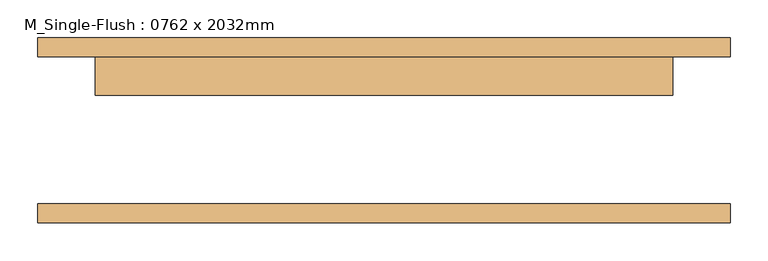
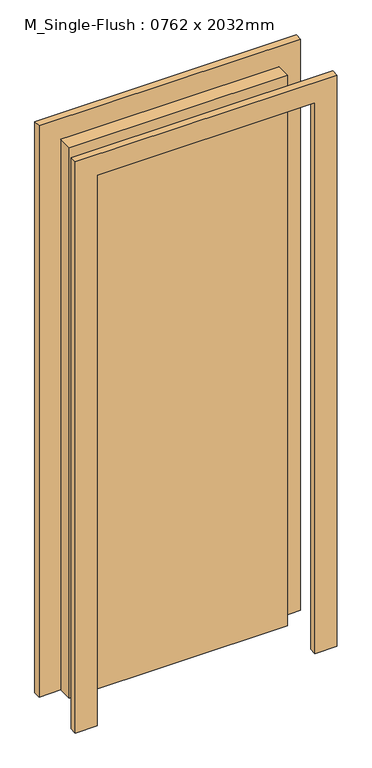
"""IFC4 building model written with IfcOpenShell, lengths in millimetres: door geometry, M_Single-Flush : 0762 x 2032mm."""

import ifcopenshell
import ifcopenshell.guid

model = None  # the IFC model being written
_history = None  # IfcOwnerHistory: only IFC2X3 demands one
_inside = {}  # id of a spatial element -> (the spatial element, [elements in it])
_under = {}  # id of a project, library or spatial element -> (it, [spatial elements below it])
_declared = {}  # id of a project -> (the project, [libraries it declares])
_typed = {}  # id of a type object -> (the type object, [elements of that type])
_made_of = {}  # id of a material, layer set ... -> (it, [elements and type objects made of it])


def new_model(schema):
    """Start an empty IFC model of exactly this schema.

    Asked for "IFC4X3", IfcOpenShell would pick the latest addendum, in which some entities
    have other attributes; the version numbers below select the first issue.
    IFC2X3 requires an IfcOwnerHistory on every rooted entity: one is made here for all.
    """
    global model, _history
    if schema == "IFC4X3":
        model = ifcopenshell.file(schema_version=(4, 3, 0, 0))
    else:
        model = ifcopenshell.file(schema=schema)
    _inside.clear()
    _under.clear()
    _declared.clear()
    _typed.clear()
    _made_of.clear()
    _history = None
    if model.schema == "IFC2X3":
        org = make("IfcOrganization", Name="unknown")
        user = make(
            "IfcPersonAndOrganization",
            ThePerson=make("IfcPerson", FamilyName="unknown"),
            TheOrganization=org,
        )
        app = make(
            "IfcApplication",
            ApplicationDeveloper=org,
            Version="unknown",
            ApplicationFullName="unknown",
            ApplicationIdentifier="unknown",
        )
        _history = make(
            "IfcOwnerHistory",
            OwningUser=user,
            OwningApplication=app,
            ChangeAction="ADDED",
            CreationDate=0,
        )
    return model


def make(cls, **values):
    """One entity of the class cls with the attributes given. An attribute that is None is left unset."""
    return model.create_entity(
        cls, **{name: value for name, value in values.items() if value is not None}
    )


def rooted(cls, **values):
    """An entity with a GlobalId (a new one), such as an element, a storey or a relation."""
    return make(cls, GlobalId=ifcopenshell.guid.new(), OwnerHistory=_history, **values)


def si_unit(unit_type, name, prefix=None):
    """IfcSIUnit, for example si_unit("LENGTHUNIT", "METRE", prefix="MILLI")."""
    return make("IfcSIUnit", UnitType=unit_type, Prefix=prefix, Name=name)


def assignment(units):
    """IfcUnitAssignment: the units of a project."""
    return None if units is None else make("IfcUnitAssignment", Units=units)


def point(xyz):
    """IfcCartesianPoint."""
    return None if xyz is None else make("IfcCartesianPoint", Coordinates=xyz)


def direction(xyz):
    """IfcDirection."""
    return None if xyz is None else make("IfcDirection", DirectionRatios=xyz)


def frame(location, z_axis=None, x_axis=None):
    """IfcAxis2Placement3D, a coordinate frame: its origin and axes. An axis left out is left unset."""
    return make(
        "IfcAxis2Placement3D",
        Location=point(location),
        Axis=direction(z_axis),
        RefDirection=direction(x_axis),
    )


def origin():
    """The frame at (0, 0, 0) with its axes left unset."""
    return frame((0.0, 0.0, 0.0))


def origin_with_axes():
    """The frame at (0, 0, 0) with the z axis (0, 0, 1) and the x axis (1, 0, 0) written out."""
    return frame((0.0, 0.0, 0.0), z_axis=(0.0, 0.0, 1.0), x_axis=(1.0, 0.0, 0.0))


def place(relative_to, where):
    """IfcLocalPlacement: puts the frame where relative to a parent placement (None: the world)."""
    return make(
        "IfcLocalPlacement", PlacementRelTo=relative_to, RelativePlacement=where
    )


def context(
    kind, dimensions, precision=None, world=None, true_north=None, identifier=None
):
    """IfcGeometricRepresentationContext, for example the 3D "Model" context."""
    return make(
        "IfcGeometricRepresentationContext",
        ContextIdentifier=identifier,
        ContextType=kind,
        CoordinateSpaceDimension=dimensions,
        Precision=precision,
        WorldCoordinateSystem=world,
        TrueNorth=true_north,
    )


def project(units=None, contexts=None):
    """IfcProject with its units and contexts."""
    return rooted(
        "IfcProject",
        Name="project",
        RepresentationContexts=contexts,
        UnitsInContext=assignment(units),
    )


def spatial(cls, under=None, at=None, **own):
    """A site, building, storey or space (cls), placed at a placement, below another one or the project."""
    s = rooted(cls, ObjectPlacement=at, **own)
    if under is not None:
        _under.setdefault(under.id(), (under, []))[1].append(s)
    return s


def polyline(points):
    """IfcPolyline through the points."""
    return make("IfcPolyline", Points=[point(p) for p in points])


def outline(outer, holes=None, kind="AREA"):
    """IfcArbitraryClosedProfileDef: a profile drawn as a closed curve; with holes, ...WithVoids."""
    if holes is None:
        return make("IfcArbitraryClosedProfileDef", ProfileType=kind, OuterCurve=outer)
    return make(
        "IfcArbitraryProfileDefWithVoids",
        ProfileType=kind,
        OuterCurve=outer,
        InnerCurves=holes,
    )


def extrude(swept, where, along, depth):
    """IfcExtrudedAreaSolid: the profile swept, set in the frame where, extruded along a direction by depth."""
    return make(
        "IfcExtrudedAreaSolid",
        SweptArea=swept,
        Position=where,
        ExtrudedDirection=direction(along),
        Depth=depth,
    )


def shape(context_of_items, identifier, shape_type, items):
    """IfcShapeRepresentation: the items that make up one representation, for example the "Body"."""
    return make(
        "IfcShapeRepresentation",
        ContextOfItems=context_of_items,
        RepresentationIdentifier=identifier,
        RepresentationType=shape_type,
        Items=items,
    )


def source(mapping_origin, context_of_items, identifier, shape_type, items):
    """IfcRepresentationMap: a shape defined once, which mapped items show again and again."""
    return make(
        "IfcRepresentationMap",
        MappingOrigin=mapping_origin,
        MappedRepresentation=shape(context_of_items, identifier, shape_type, items),
    )


def transform(
    local_origin,
    x_axis=None,
    y_axis=None,
    z_axis=None,
    scale=None,
    scale2=None,
    scale3=None,
    uniform=True,
):
    """IfcCartesianTransformationOperator3D, or its non-uniform kind. x_axis, y_axis, z_axis: its Axis1, 2, 3."""
    if uniform:
        return make(
            "IfcCartesianTransformationOperator3D",
            Axis1=direction(x_axis),
            Axis2=direction(y_axis),
            LocalOrigin=point(local_origin),
            Scale=scale,
            Axis3=direction(z_axis),
        )
    return make(
        "IfcCartesianTransformationOperator3DnonUniform",
        Axis1=direction(x_axis),
        Axis2=direction(y_axis),
        LocalOrigin=point(local_origin),
        Scale=scale,
        Axis3=direction(z_axis),
        Scale2=scale2,
        Scale3=scale3,
    )


def mapped(mapping_source, mapping_target):
    """IfcMappedItem: shows the shape of a source again, moved by a transform."""
    return make(
        "IfcMappedItem", MappingSource=mapping_source, MappingTarget=mapping_target
    )


def made_of(thing, what):
    """Note that an element or type object is made of a material, layer set ...; save() writes the relation."""
    if what is not None:
        _made_of.setdefault(what.id(), (what, []))[1].append(thing)
    return thing


def element(
    cls,
    number,
    at=None,
    inside=None,
    cuts=None,
    type_object=None,
    material=None,
    context=None,
    identifier="Body",
    shape_type=None,
    held_by="IfcProductDefinitionShape",
    body=None,
    shapes=None,
    **own,
):
    """One element of the class cls, such as IfcWall. Its Tag is "e" and its number.

    at: its placement. inside: the storey or other place that contains it. cuts: it is an
    opening in that element (IfcRelVoidsElement). A single representation is given by context,
    identifier, shape_type and body (its items); several are given by shapes. held_by: the class
    of the entity that holds the representations. save() writes the other relations.
    """
    e = rooted(cls, Tag="e%d" % number, ObjectPlacement=at, **own)
    if body is not None:
        shapes = [shape(context, identifier, shape_type, body)]
    if shapes is not None:
        e.Representation = make(held_by, Representations=shapes)
    if inside is not None:
        _inside.setdefault(inside.id(), (inside, []))[1].append(e)
    if cuts is not None:
        rooted(
            "IfcRelVoidsElement", RelatingBuildingElement=cuts, RelatedOpeningElement=e
        )
    if type_object is not None:
        _typed.setdefault(type_object.id(), (type_object, []))[1].append(e)
    return made_of(e, material)


def aggregate(whole, parts):
    """IfcRelAggregates: a whole, such as a stair, and the parts it consists of."""
    return rooted("IfcRelAggregates", RelatingObject=whole, RelatedObjects=parts)


def save(model, path):
    """Write the relations noted so far, then the file.

    IfcRelAggregates (storeys below a building ...), IfcRelContainedInSpatialStructure (elements
    in a storey), IfcRelDefinesByType, IfcRelAssociatesMaterial and IfcRelDeclares: one each for
    every whole, place, type object, material and project.
    """
    for whole, parts in _under.values():
        aggregate(whole, parts)
    for where, things in _inside.values():
        rooted(
            "IfcRelContainedInSpatialStructure",
            RelatedElements=things,
            RelatingStructure=where,
        )
    for kind, things in _typed.values():
        rooted("IfcRelDefinesByType", RelatedObjects=things, RelatingType=kind)
    for what, things in _made_of.values():
        rooted("IfcRelAssociatesMaterial", RelatedObjects=things, RelatingMaterial=what)
    for by, libraries in _declared.values():
        rooted("IfcRelDeclares", RelatingContext=by, RelatedDefinitions=libraries)
    model.write(path)


def m_single_flush_0762_x_2032mm_47e369fd(model_context):
    return source(origin(), model_context, "Body", "SweptSolid", [
        extrude(outline(polyline([(2108.0, -457.0), (0.0, -457.0), (0.0, -381.0), (2032.0, -381.0), (2032.0, 381.0), (0.0, 381.0), (0.0, 457.0), (2108.0, 457.0), (2108.0, -457.0)])), frame((0.0, 97.0, 0.0), z_axis=(0.0, 1.0, 0.0), x_axis=(0.0, 0.0, 1.0)), (0.0, 0.0, 1.0), 25.0),
        extrude(outline(polyline([(2108.0, 457.0), (2108.0, -457.0), (0.0, -457.0), (0.0, -381.0), (2032.0, -381.0), (2032.0, 381.0), (0.0, 381.0), (0.0, 457.0), (2108.0, 457.0)])), frame((0.0, -122.0, 0.0), z_axis=(0.0, 1.0, 0.0), x_axis=(0.0, 0.0, 1.0)), (0.0, 0.0, 1.0), 25.0),
        extrude(outline(polyline([(381.0, 46.0), (-381.0, 46.0), (-381.0, 97.0), (381.0, 97.0), (381.0, 46.0)])), origin_with_axes(), (0.0, 0.0, 1.0), 2032.0),
    ])


if __name__ == "__main__":
    model = new_model("IFC4")
    model_context = context("Model", 3, world=origin())
    ifc_project = project(units=[si_unit("LENGTHUNIT", "METRE", prefix="MILLI")], contexts=[model_context])
    site = spatial("IfcSite", under=ifc_project)
    building = spatial("IfcBuilding", under=site)
    placement = place(None, origin())
    m_single_flush_0762_x_2032mm_shape = m_single_flush_0762_x_2032mm_47e369fd(model_context)
    element("IfcDoor", 1, ObjectType="M_Single-Flush : 0762 x 2032mm", at=placement, inside=building, context=model_context, shape_type="MappedRepresentation", body=[
        mapped(m_single_flush_0762_x_2032mm_shape, transform((0.0, 0.0, 0.0), x_axis=(1.0, 0.0, 0.0), y_axis=(0.0, 1.0, 0.0), z_axis=(0.0, 0.0, 1.0))),
    ])
    save(model, "model.ifc")
